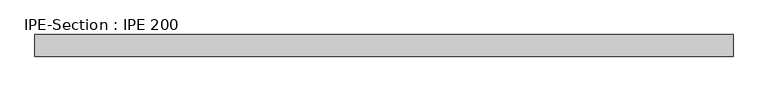
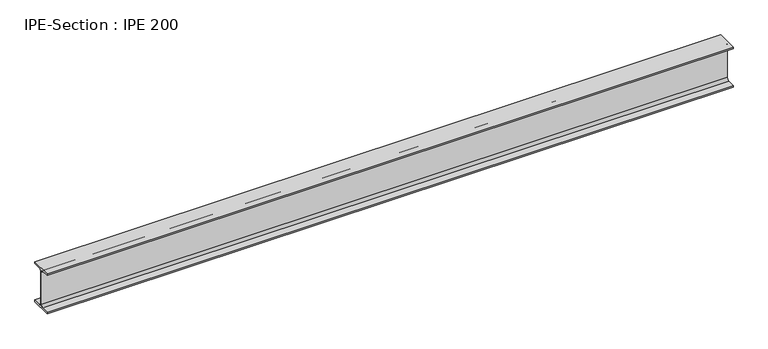
"""IFC4 building model written with IfcOpenShell, lengths in millimetres: beam geometry, IPE-Section : IPE 200."""

from ifc_helpers import new_model, si_unit, point, frame, frame_2d, origin, place, context, project, spatial, polyline, circle_curve, trimmed, segment, composite_curve, outline, extrude, source, transform, mapped, element, save


def ipe_section_ipe_200_9ca25cf3(model_context):
    return source(origin(), model_context, "Body", "SweptSolid", [
        extrude(outline(composite_curve([segment(polyline([(50.0, -91.5), (50.0, -100.0), (-50.0, -100.0), (-50.0, -91.5), (-14.8, -91.5)]), True, "CONTINUOUS"), segment(trimmed(circle_curve(frame_2d((-14.8, -79.5)), 12.0), [point((-14.8, -91.5))], [point((-2.8, -79.5))], True, "CARTESIAN"), True, "CONTINUOUS"), segment(polyline([(-2.8, -79.5), (-2.8, 79.5)]), True, "CONTINUOUS"), segment(trimmed(circle_curve(frame_2d((-14.8, 79.5)), 12.0), [point((-2.8, 79.5))], [point((-14.8, 91.5))], True, "CARTESIAN"), True, "CONTINUOUS"), segment(polyline([(-14.8, 91.5), (-50.0, 91.5), (-50.0, 100.0), (50.0, 100.0), (50.0, 91.5), (14.8, 91.5)]), True, "CONTINUOUS"), segment(trimmed(circle_curve(frame_2d((14.8, 79.5)), 12.0), [point((14.8, 91.5))], [point((2.8, 79.5))], True, "CARTESIAN"), True, "CONTINUOUS"), segment(polyline([(2.8, 79.5), (2.8, -79.5)]), True, "CONTINUOUS"), segment(trimmed(circle_curve(frame_2d((14.8, -79.5)), 12.0), [point((2.8, -79.5))], [point((14.8, -91.5))], True, "CARTESIAN"), True, "CONTINUOUS"), segment(polyline([(14.8, -91.5), (50.0, -91.5)]), True, "CONTINUOUS")], self_intersect=False)), frame((-1597.7508034, 0.0, 0.0), z_axis=(1.0, 0.0, 0.0), x_axis=(0.0, 1.0, 0.0)), (0.0, 0.0, 1.0), 3232.6285281),
    ])


if __name__ == "__main__":
    model = new_model("IFC4")
    model_context = context("Model", 3, world=origin())
    ifc_project = project(units=[si_unit("LENGTHUNIT", "METRE", prefix="MILLI")], contexts=[model_context])
    site = spatial("IfcSite", under=ifc_project)
    building = spatial("IfcBuilding", under=site)
    placement = place(None, origin())
    ipe_section_ipe_200_shape = ipe_section_ipe_200_9ca25cf3(model_context)
    element("IfcBeam", 1, ObjectType="IPE-Section : IPE 200", at=placement, inside=building, context=model_context, shape_type="MappedRepresentation", body=[
        mapped(ipe_section_ipe_200_shape, transform((0.0, 0.0, 0.0), x_axis=(1.0, 0.0, 0.0), y_axis=(0.0, 1.0, 0.0), z_axis=(0.0, 0.0, 1.0))),
    ])
    save(model, "model.ifc")
